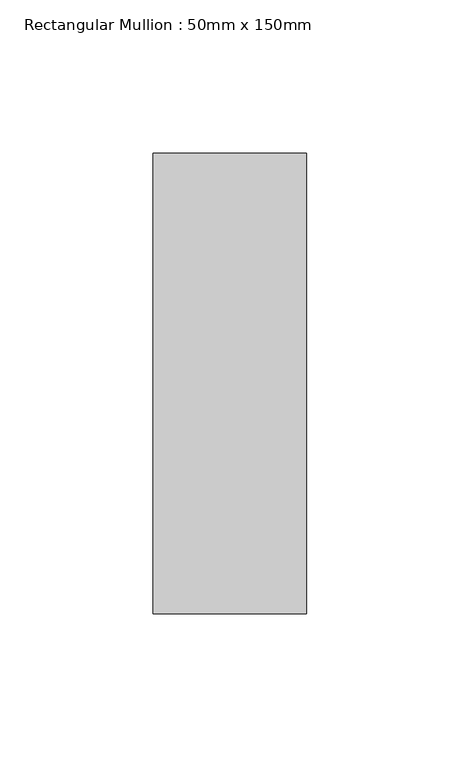
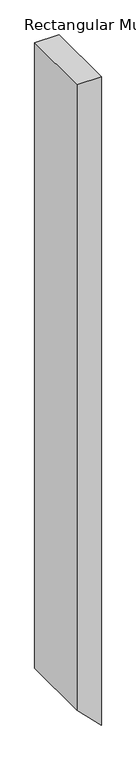
"""IFC4 building model written with IfcOpenShell, lengths in millimetres: member geometry, Rectangular Mullion : 50mm x 150mm."""

from ifc_helpers import new_model, si_unit, frame, origin, place, context, project, spatial, polyline, outline, extrude, source, transform, mapped, element, save


def rectangular_mullion_50mm_x_150mm_51cc2d1b(model_context):
    return source(origin(), model_context, "Body", "SweptSolid", [
        extrude(outline(polyline([(0.0, 25.0), (0.0, -25.0), (-1355.2943725, -25.0), (-1405.2943725, 25.0), (0.0, 25.0)])), frame((0.0, -75.0, 0.0), z_axis=(0.0, 1.0, 0.0), x_axis=(0.0, 0.0, 1.0)), (0.0, 0.0, 1.0), 150.0),
    ])


if __name__ == "__main__":
    model = new_model("IFC4")
    model_context = context("Model", 3, world=origin())
    ifc_project = project(units=[si_unit("LENGTHUNIT", "METRE", prefix="MILLI")], contexts=[model_context])
    site = spatial("IfcSite", under=ifc_project)
    building = spatial("IfcBuilding", under=site)
    placement = place(None, origin())
    rectangular_mullion_50mm_x_150mm_shape = rectangular_mullion_50mm_x_150mm_51cc2d1b(model_context)
    element("IfcMember", 1, ObjectType="Rectangular Mullion : 50mm x 150mm", at=placement, inside=building, context=model_context, shape_type="MappedRepresentation", body=[
        mapped(rectangular_mullion_50mm_x_150mm_shape, transform((0.0, 0.0, 0.0), x_axis=(1.0, 0.0, 0.0), y_axis=(0.0, 1.0, 0.0), z_axis=(0.0, 0.0, 1.0))),
    ])
    save(model, "model.ifc")
